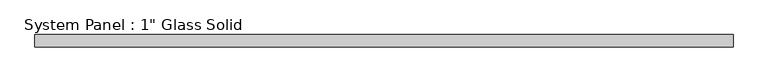
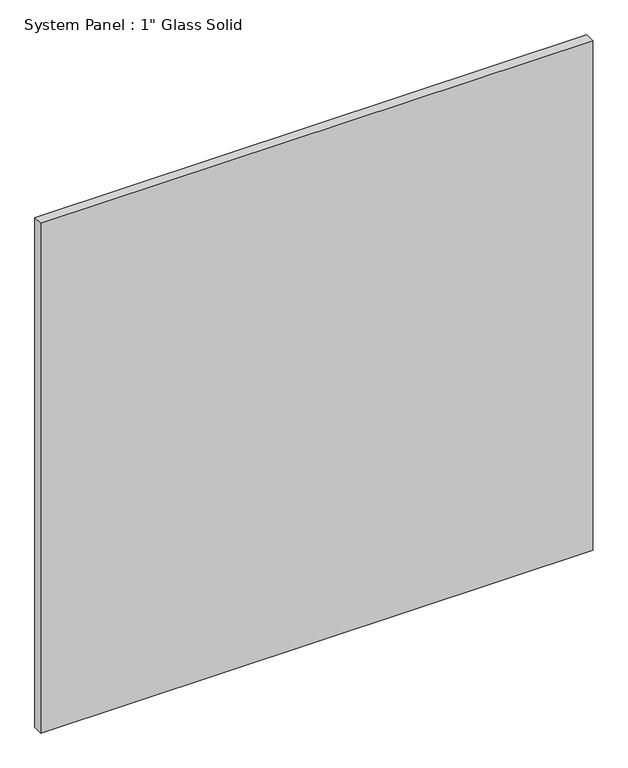
"""IFC4 building model written with IfcOpenShell, lengths in millimetres: plate geometry."""

import ifcopenshell
import ifcopenshell.guid

model = None  # the IFC model being written
_history = None  # IfcOwnerHistory: only IFC2X3 demands one
_inside = {}  # id of a spatial element -> (the spatial element, [elements in it])
_under = {}  # id of a project, library or spatial element -> (it, [spatial elements below it])
_declared = {}  # id of a project -> (the project, [libraries it declares])
_typed = {}  # id of a type object -> (the type object, [elements of that type])
_made_of = {}  # id of a material, layer set ... -> (it, [elements and type objects made of it])


def new_model(schema):
    """Start an empty IFC model of exactly this schema.

    Asked for "IFC4X3", IfcOpenShell would pick the latest addendum, in which some entities
    have other attributes; the version numbers below select the first issue.
    IFC2X3 requires an IfcOwnerHistory on every rooted entity: one is made here for all.
    """
    global model, _history
    if schema == "IFC4X3":
        model = ifcopenshell.file(schema_version=(4, 3, 0, 0))
    else:
        model = ifcopenshell.file(schema=schema)
    _inside.clear()
    _under.clear()
    _declared.clear()
    _typed.clear()
    _made_of.clear()
    _history = None
    if model.schema == "IFC2X3":
        org = make("IfcOrganization", Name="unknown")
        user = make(
            "IfcPersonAndOrganization",
            ThePerson=make("IfcPerson", FamilyName="unknown"),
            TheOrganization=org,
        )
        app = make(
            "IfcApplication",
            ApplicationDeveloper=org,
            Version="unknown",
            ApplicationFullName="unknown",
            ApplicationIdentifier="unknown",
        )
        _history = make(
            "IfcOwnerHistory",
            OwningUser=user,
            OwningApplication=app,
            ChangeAction="ADDED",
            CreationDate=0,
        )
    return model


def make(cls, **values):
    """One entity of the class cls with the attributes given. An attribute that is None is left unset."""
    return model.create_entity(
        cls, **{name: value for name, value in values.items() if value is not None}
    )


def rooted(cls, **values):
    """An entity with a GlobalId (a new one), such as an element, a storey or a relation."""
    return make(cls, GlobalId=ifcopenshell.guid.new(), OwnerHistory=_history, **values)


def si_unit(unit_type, name, prefix=None):
    """IfcSIUnit, for example si_unit("LENGTHUNIT", "METRE", prefix="MILLI")."""
    return make("IfcSIUnit", UnitType=unit_type, Prefix=prefix, Name=name)


def assignment(units):
    """IfcUnitAssignment: the units of a project."""
    return None if units is None else make("IfcUnitAssignment", Units=units)


def point(xyz):
    """IfcCartesianPoint."""
    return None if xyz is None else make("IfcCartesianPoint", Coordinates=xyz)


def direction(xyz):
    """IfcDirection."""
    return None if xyz is None else make("IfcDirection", DirectionRatios=xyz)


def frame(location, z_axis=None, x_axis=None):
    """IfcAxis2Placement3D, a coordinate frame: its origin and axes. An axis left out is left unset."""
    return make(
        "IfcAxis2Placement3D",
        Location=point(location),
        Axis=direction(z_axis),
        RefDirection=direction(x_axis),
    )


def origin():
    """The frame at (0, 0, 0) with its axes left unset."""
    return frame((0.0, 0.0, 0.0))


def origin_with_axes():
    """The frame at (0, 0, 0) with the z axis (0, 0, 1) and the x axis (1, 0, 0) written out."""
    return frame((0.0, 0.0, 0.0), z_axis=(0.0, 0.0, 1.0), x_axis=(1.0, 0.0, 0.0))


def place(relative_to, where):
    """IfcLocalPlacement: puts the frame where relative to a parent placement (None: the world)."""
    return make(
        "IfcLocalPlacement", PlacementRelTo=relative_to, RelativePlacement=where
    )


def context(
    kind, dimensions, precision=None, world=None, true_north=None, identifier=None
):
    """IfcGeometricRepresentationContext, for example the 3D "Model" context."""
    return make(
        "IfcGeometricRepresentationContext",
        ContextIdentifier=identifier,
        ContextType=kind,
        CoordinateSpaceDimension=dimensions,
        Precision=precision,
        WorldCoordinateSystem=world,
        TrueNorth=true_north,
    )


def project(units=None, contexts=None):
    """IfcProject with its units and contexts."""
    return rooted(
        "IfcProject",
        Name="project",
        RepresentationContexts=contexts,
        UnitsInContext=assignment(units),
    )


def spatial(cls, under=None, at=None, **own):
    """A site, building, storey or space (cls), placed at a placement, below another one or the project."""
    s = rooted(cls, ObjectPlacement=at, **own)
    if under is not None:
        _under.setdefault(under.id(), (under, []))[1].append(s)
    return s


def polyline(points):
    """IfcPolyline through the points."""
    return make("IfcPolyline", Points=[point(p) for p in points])


def outline(outer, holes=None, kind="AREA"):
    """IfcArbitraryClosedProfileDef: a profile drawn as a closed curve; with holes, ...WithVoids."""
    if holes is None:
        return make("IfcArbitraryClosedProfileDef", ProfileType=kind, OuterCurve=outer)
    return make(
        "IfcArbitraryProfileDefWithVoids",
        ProfileType=kind,
        OuterCurve=outer,
        InnerCurves=holes,
    )


def extrude(swept, where, along, depth):
    """IfcExtrudedAreaSolid: the profile swept, set in the frame where, extruded along a direction by depth."""
    return make(
        "IfcExtrudedAreaSolid",
        SweptArea=swept,
        Position=where,
        ExtrudedDirection=direction(along),
        Depth=depth,
    )


def shape(context_of_items, identifier, shape_type, items):
    """IfcShapeRepresentation: the items that make up one representation, for example the "Body"."""
    return make(
        "IfcShapeRepresentation",
        ContextOfItems=context_of_items,
        RepresentationIdentifier=identifier,
        RepresentationType=shape_type,
        Items=items,
    )


def source(mapping_origin, context_of_items, identifier, shape_type, items):
    """IfcRepresentationMap: a shape defined once, which mapped items show again and again."""
    return make(
        "IfcRepresentationMap",
        MappingOrigin=mapping_origin,
        MappedRepresentation=shape(context_of_items, identifier, shape_type, items),
    )


def transform(
    local_origin,
    x_axis=None,
    y_axis=None,
    z_axis=None,
    scale=None,
    scale2=None,
    scale3=None,
    uniform=True,
):
    """IfcCartesianTransformationOperator3D, or its non-uniform kind. x_axis, y_axis, z_axis: its Axis1, 2, 3."""
    if uniform:
        return make(
            "IfcCartesianTransformationOperator3D",
            Axis1=direction(x_axis),
            Axis2=direction(y_axis),
            LocalOrigin=point(local_origin),
            Scale=scale,
            Axis3=direction(z_axis),
        )
    return make(
        "IfcCartesianTransformationOperator3DnonUniform",
        Axis1=direction(x_axis),
        Axis2=direction(y_axis),
        LocalOrigin=point(local_origin),
        Scale=scale,
        Axis3=direction(z_axis),
        Scale2=scale2,
        Scale3=scale3,
    )


def mapped(mapping_source, mapping_target):
    """IfcMappedItem: shows the shape of a source again, moved by a transform."""
    return make(
        "IfcMappedItem", MappingSource=mapping_source, MappingTarget=mapping_target
    )


def made_of(thing, what):
    """Note that an element or type object is made of a material, layer set ...; save() writes the relation."""
    if what is not None:
        _made_of.setdefault(what.id(), (what, []))[1].append(thing)
    return thing


def element(
    cls,
    number,
    at=None,
    inside=None,
    cuts=None,
    type_object=None,
    material=None,
    context=None,
    identifier="Body",
    shape_type=None,
    held_by="IfcProductDefinitionShape",
    body=None,
    shapes=None,
    **own,
):
    """One element of the class cls, such as IfcWall. Its Tag is "e" and its number.

    at: its placement. inside: the storey or other place that contains it. cuts: it is an
    opening in that element (IfcRelVoidsElement). A single representation is given by context,
    identifier, shape_type and body (its items); several are given by shapes. held_by: the class
    of the entity that holds the representations. save() writes the other relations.
    """
    e = rooted(cls, Tag="e%d" % number, ObjectPlacement=at, **own)
    if body is not None:
        shapes = [shape(context, identifier, shape_type, body)]
    if shapes is not None:
        e.Representation = make(held_by, Representations=shapes)
    if inside is not None:
        _inside.setdefault(inside.id(), (inside, []))[1].append(e)
    if cuts is not None:
        rooted(
            "IfcRelVoidsElement", RelatingBuildingElement=cuts, RelatedOpeningElement=e
        )
    if type_object is not None:
        _typed.setdefault(type_object.id(), (type_object, []))[1].append(e)
    return made_of(e, material)


def aggregate(whole, parts):
    """IfcRelAggregates: a whole, such as a stair, and the parts it consists of."""
    return rooted("IfcRelAggregates", RelatingObject=whole, RelatedObjects=parts)


def save(model, path):
    """Write the relations noted so far, then the file.

    IfcRelAggregates (storeys below a building ...), IfcRelContainedInSpatialStructure (elements
    in a storey), IfcRelDefinesByType, IfcRelAssociatesMaterial and IfcRelDeclares: one each for
    every whole, place, type object, material and project.
    """
    for whole, parts in _under.values():
        aggregate(whole, parts)
    for where, things in _inside.values():
        rooted(
            "IfcRelContainedInSpatialStructure",
            RelatedElements=things,
            RelatingStructure=where,
        )
    for kind, things in _typed.values():
        rooted("IfcRelDefinesByType", RelatedObjects=things, RelatingType=kind)
    for what, things in _made_of.values():
        rooted("IfcRelAssociatesMaterial", RelatedObjects=things, RelatingMaterial=what)
    for by, libraries in _declared.values():
        rooted("IfcRelDeclares", RelatingContext=by, RelatedDefinitions=libraries)
    model.write(path)


def plate_72fa3584(model_context):
    return source(origin(), model_context, "Body", "SweptSolid", [
        extrude(outline(polyline([(706.4889199, -12.7), (-706.4889199, -12.7), (-706.4889199, 12.7), (706.4889199, 12.7), (706.4889199, -12.7)])), origin_with_axes(), (0.0, 0.0, 1.0), 1379.4928882),
    ])


if __name__ == "__main__":
    model = new_model("IFC4")
    model_context = context("Model", 3, world=origin())
    ifc_project = project(units=[si_unit("LENGTHUNIT", "METRE", prefix="MILLI")], contexts=[model_context])
    site = spatial("IfcSite", under=ifc_project)
    building = spatial("IfcBuilding", under=site)
    placement = place(None, origin())
    plate_shape = plate_72fa3584(model_context)
    element("IfcPlate", 1, ObjectType="System Panel : 1\" Glass Solid", at=placement, inside=building, context=model_context, shape_type="MappedRepresentation", body=[
        mapped(plate_shape, transform((0.0, 0.0, 0.0), x_axis=(1.0, 0.0, 0.0), y_axis=(0.0, 1.0, 0.0), z_axis=(0.0, 0.0, 1.0))),
    ])
    save(model, "model.ifc")
